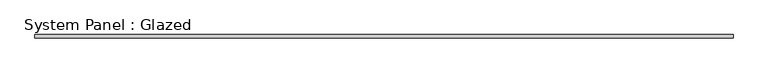
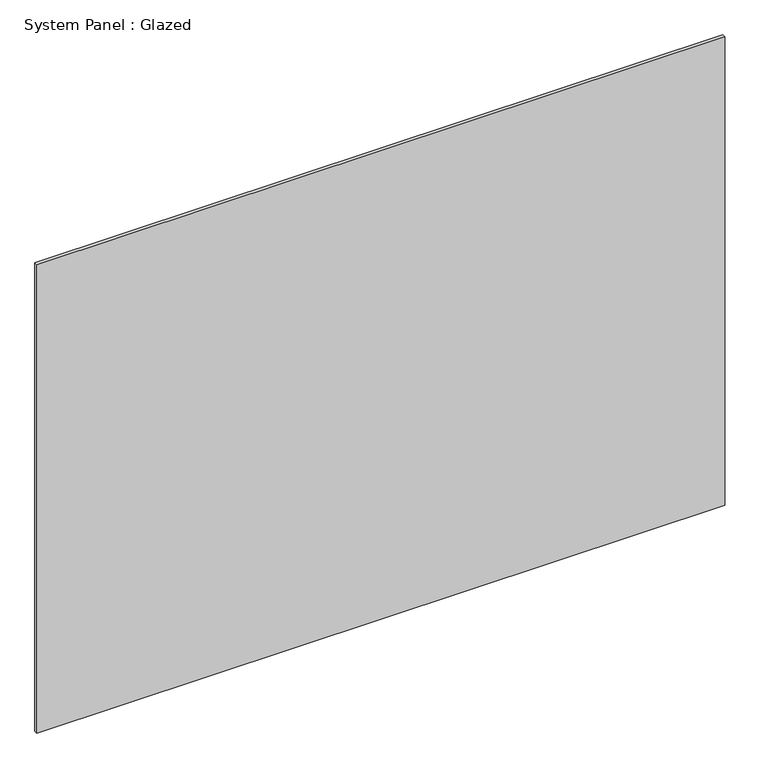
"""IFC4 building model written with IfcOpenShell, lengths in millimetres: plate geometry, System Panel : Glazed."""

from ifc_helpers import new_model, si_unit, origin, origin_with_axes, place, context, project, spatial, polyline, outline, extrude, source, transform, mapped, element, save


def system_panel_glazed_d3a47ee4(model_context):
    return source(origin(), model_context, "Body", "SweptSolid", [
        extrude(outline(polyline([(2500.0, -22.5), (-2500.0, -22.5), (-2500.0, 2.5), (2500.0, 2.5), (2500.0, -22.5)])), origin_with_axes(), (0.0, 0.0, 1.0), 3600.0),
    ])


if __name__ == "__main__":
    model = new_model("IFC4")
    model_context = context("Model", 3, world=origin())
    ifc_project = project(units=[si_unit("LENGTHUNIT", "METRE", prefix="MILLI")], contexts=[model_context])
    site = spatial("IfcSite", under=ifc_project)
    building = spatial("IfcBuilding", under=site)
    placement = place(None, origin())
    system_panel_glazed_shape = system_panel_glazed_d3a47ee4(model_context)
    element("IfcPlate", 1, ObjectType="System Panel : Glazed", at=placement, inside=building, context=model_context, shape_type="MappedRepresentation", body=[
        mapped(system_panel_glazed_shape, transform((0.0, 0.0, 0.0), x_axis=(1.0, 0.0, 0.0), y_axis=(0.0, 1.0, 0.0), z_axis=(0.0, 0.0, 1.0))),
    ])
    save(model, "model.ifc")
